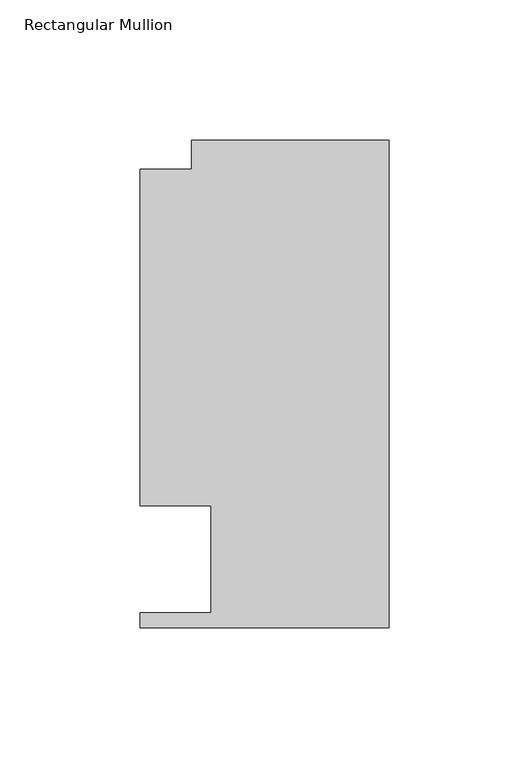
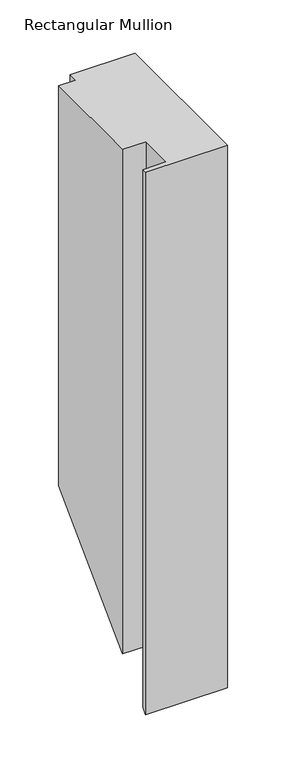
"""IFC4 building model written with IfcOpenShell, lengths in millimetres: member geometry, Rectangular Mullion."""

from ifc_helpers import new_model, si_unit, origin, place, context, project, spatial, faceted_brep, source, transform, mapped, element, save


def rectangular_mullion_4273eadb(model_context):
    return source(origin(), model_context, "Body", "Brep", [
        faceted_brep([(-88.9131928, 151.892, 0.0), (-88.9131928, 31.75, 0.0), (-63.5131928, 31.75, 0.0), (-63.5131928, -6.35, 0.0), (-88.9131928, -6.35, 0.0), (-88.9131928, -11.684, 0.0), (0.0, -11.684, 0.0), (0.0, 162.3059961, 0.0), (-70.395709, 162.3059961, 0.0), (-70.395709, 151.892, 0.0), (-88.9131928, 151.892, -458.2040938), (-88.9131928, 31.75, -578.3460937), (-63.5131928, 31.75, -578.3460937), (-63.5131928, -6.35, -616.4460937), (-88.9131928, -6.35, -616.4460937), (-88.9131928, -11.684, -621.7800937), (0.0, -11.684, -621.7800937), (0.0, 162.3059961, -447.7900976), (-70.395709, 162.3059961, -447.7900976), (-70.395709, 151.892, -458.2040938)], [[[0, 1, 2, 3, 4, 5, 6, 7, 8, 9]], [[1, 0, 10, 11]], [[2, 1, 11, 12]], [[3, 2, 12, 13]], [[4, 3, 13, 14]], [[5, 4, 14, 15]], [[6, 5, 15, 16]], [[7, 6, 16, 17]], [[8, 7, 17, 18]], [[9, 8, 18, 19]], [[0, 9, 19, 10]], [[10, 19, 18, 17, 16, 15, 14, 13, 12, 11]]]),
    ])


if __name__ == "__main__":
    model = new_model("IFC4")
    model_context = context("Model", 3, world=origin())
    ifc_project = project(units=[si_unit("LENGTHUNIT", "METRE", prefix="MILLI")], contexts=[model_context])
    site = spatial("IfcSite", under=ifc_project)
    building = spatial("IfcBuilding", under=site)
    placement = place(None, origin())
    rectangular_mullion_shape = rectangular_mullion_4273eadb(model_context)
    element("IfcMember", 1, ObjectType="Rectangular Mullion", at=placement, inside=building, context=model_context, shape_type="MappedRepresentation", body=[
        mapped(rectangular_mullion_shape, transform((0.0, 0.0, 0.0), x_axis=(1.0, 0.0, 0.0), y_axis=(0.0, 1.0, 0.0), z_axis=(0.0, 0.0, 1.0))),
    ])
    save(model, "model.ifc")
